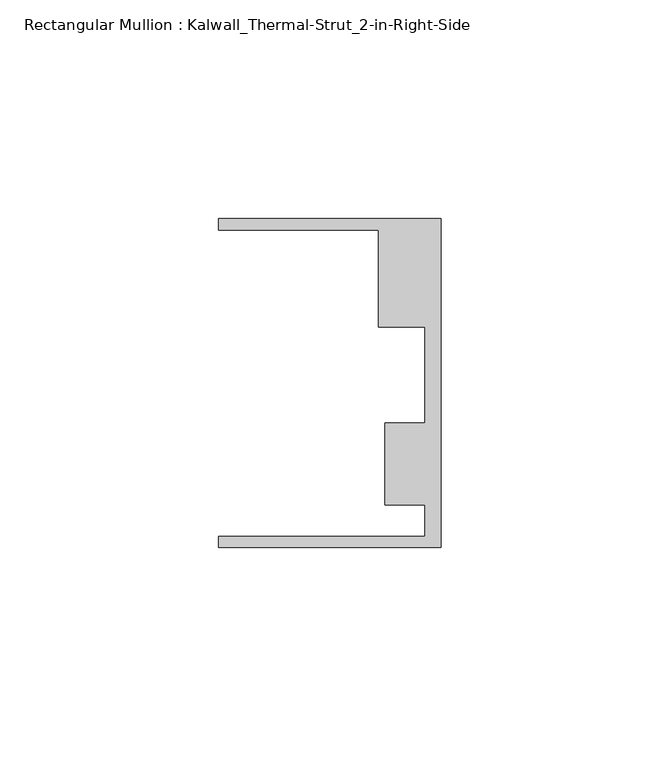
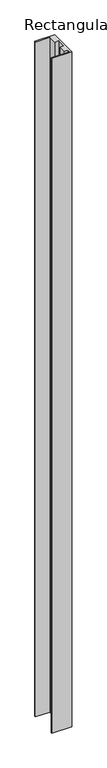
"""IFC4 building model written with IfcOpenShell, lengths in millimetres: member geometry, Rectangular Mullion : Kalwall_Thermal-Strut_2-in-Right-Side."""

from ifc_helpers import new_model, si_unit, frame, origin, place, context, project, spatial, polyline, outline, extrude, source, transform, mapped, element, save


def rectangular_mullion_kalwall_thermal_strut_2_in_right_side_bf17ffd3(model_context):
    return source(origin(), model_context, "Body", "SweptSolid", [
        extrude(outline(polyline([(0.0, -37.5776386), (-50.8, -37.5776386), (-50.8, -35.0376386), (-3.7084, -35.0376386), (-3.7084, -27.8888568), (-12.8272539, -27.8888568), (-12.8272539, -9.1879886), (-3.7084, -9.1879886), (-3.7084, 12.7373614), (-14.2875, 12.7373614), (-14.2875, 34.9623614), (-50.8, 34.9623614), (-50.8, 37.5023614), (0.0, 37.5023614), (0.0, -37.5776386)])), frame((0.0, 0.0, -1830.175), z_axis=(0.0, 0.0, 1.0), x_axis=(1.0, 0.0, 0.0)), (0.0, 0.0, 1.0), 1830.175),
    ])


if __name__ == "__main__":
    model = new_model("IFC4")
    model_context = context("Model", 3, world=origin())
    ifc_project = project(units=[si_unit("LENGTHUNIT", "METRE", prefix="MILLI")], contexts=[model_context])
    site = spatial("IfcSite", under=ifc_project)
    building = spatial("IfcBuilding", under=site)
    placement = place(None, origin())
    rectangular_mullion_kalwall_thermal_strut_2_in_right_side_shape = rectangular_mullion_kalwall_thermal_strut_2_in_right_side_bf17ffd3(model_context)
    element("IfcMember", 1, ObjectType="Rectangular Mullion : Kalwall_Thermal-Strut_2-in-Right-Side", at=placement, inside=building, context=model_context, shape_type="MappedRepresentation", body=[
        mapped(rectangular_mullion_kalwall_thermal_strut_2_in_right_side_shape, transform((0.0, 0.0, 0.0), x_axis=(1.0, 0.0, 0.0), y_axis=(0.0, 1.0, 0.0), z_axis=(0.0, 0.0, 1.0))),
    ])
    save(model, "model.ifc")
